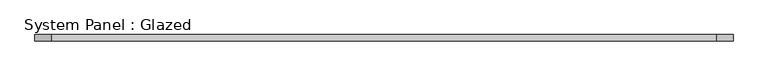
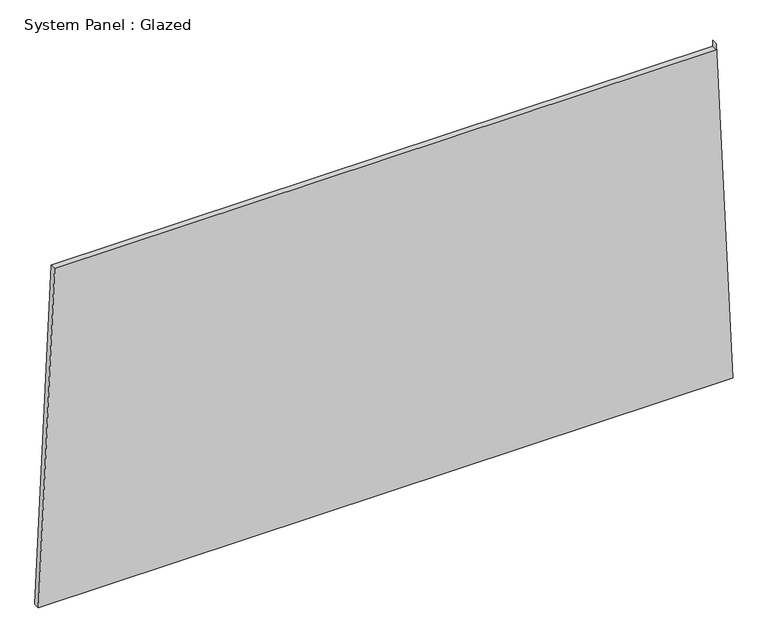
"""IFC4 building model written with IfcOpenShell, lengths in millimetres: plate geometry, System Panel : Glazed."""

from ifc_helpers import new_model, si_unit, frame, origin, place, context, project, spatial, polyline, outline, extrude, source, transform, mapped, element, save


def system_panel_glazed_45df076d(model_context):
    return source(origin(), model_context, "Body", "SweptSolid", [
        extrude(outline(polyline([(0.0, -1424.2059697), (0.0, 1424.2059697), (1473.4334171, 1356.8292572), (1448.4334171, 1356.8292567), (1448.4334725, -1357.9724616), (0.0, -1424.2059697)])), frame((0.0, -49.5, 0.0), z_axis=(0.0, 1.0, 0.0), x_axis=(0.0, 0.0, 1.0)), (0.0, 0.0, 1.0), 25.0),
    ])


if __name__ == "__main__":
    model = new_model("IFC4")
    model_context = context("Model", 3, world=origin())
    ifc_project = project(units=[si_unit("LENGTHUNIT", "METRE", prefix="MILLI")], contexts=[model_context])
    site = spatial("IfcSite", under=ifc_project)
    building = spatial("IfcBuilding", under=site)
    placement = place(None, origin())
    system_panel_glazed_shape = system_panel_glazed_45df076d(model_context)
    element("IfcPlate", 1, ObjectType="System Panel : Glazed", at=placement, inside=building, context=model_context, shape_type="MappedRepresentation", body=[
        mapped(system_panel_glazed_shape, transform((0.0, 0.0, 0.0), x_axis=(1.0, 0.0, 0.0), y_axis=(0.0, 1.0, 0.0), z_axis=(0.0, 0.0, 1.0))),
    ])
    save(model, "model.ifc")
